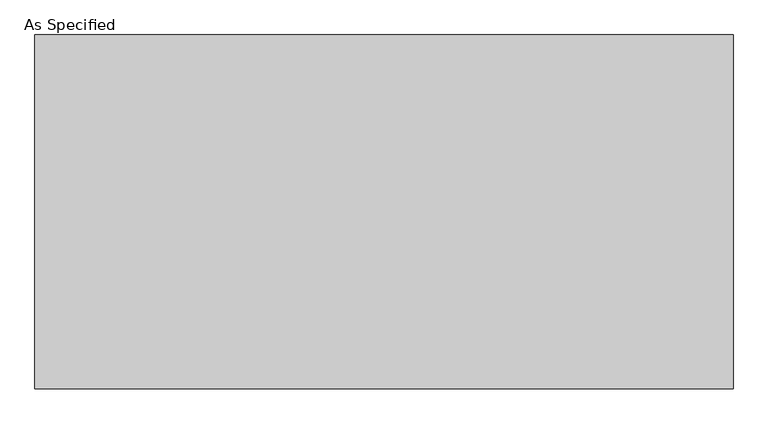
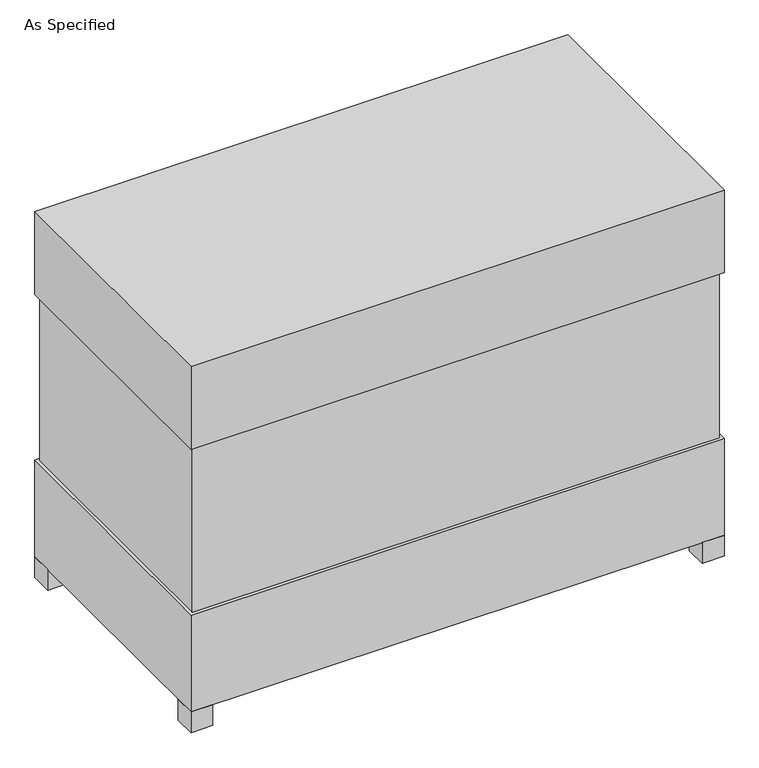
"""IFC4 building model written with IfcOpenShell, lengths in millimetres: proxy geometry, As Specified."""

from ifc_helpers import new_model, si_unit, frame, origin, origin_with_axes, place, context, project, spatial, polyline, outline, extrude, source, transform, mapped, element, save


def as_specified_85e18875(model_context):
    return source(origin(), model_context, "Body", "SweptSolid", [
        extrude(outline(polyline([(915.9875, 458.7875), (915.9875, -458.7875), (-915.9875, -458.7875), (-915.9875, 458.7875), (915.9875, 458.7875)])), frame((0.0, 0.0, 431.8), z_axis=(0.0, 0.0, 1.0), x_axis=(1.0, 0.0, 0.0)), (0.0, 0.0, 1.0), 609.6),
        extrude(outline(polyline([(927.1, 469.9), (927.1, -469.9), (-927.1, -469.9), (-927.1, 469.9), (927.1, 469.9)])), frame((0.0, 0.0, 1041.4), z_axis=(0.0, 0.0, 1.0), x_axis=(1.0, 0.0, 0.0)), (0.0, 0.0, 1.0), 304.8),
        extrude(outline(polyline([(812.8, 254.0), (812.8, 177.8), (736.6, 177.8), (736.6, 254.0), (812.8, 254.0)])), frame((0.0, 0.0, 50.8), z_axis=(0.0, 0.0, 1.0), x_axis=(1.0, 0.0, 0.0)), (0.0, 0.0, 1.0), 25.4),
        extrude(outline(polyline([(812.8, -177.8), (812.8, -254.0), (736.6, -254.0), (736.6, -177.8), (812.8, -177.8)])), frame((0.0, 0.0, 50.8), z_axis=(0.0, 0.0, 1.0), x_axis=(1.0, 0.0, 0.0)), (0.0, 0.0, 1.0), 25.4),
        extrude(outline(polyline([(-850.9, 469.9), (-850.9, 393.7), (-927.1, 393.7), (-927.1, 469.9), (-850.9, 469.9)])), origin_with_axes(), (0.0, 0.0, 1.0), 76.2),
        extrude(outline(polyline([(927.1, 469.9), (927.1, 393.7), (850.9, 393.7), (850.9, 469.9), (927.1, 469.9)])), origin_with_axes(), (0.0, 0.0, 1.0), 76.2),
        extrude(outline(polyline([(927.1, -393.7), (927.1, -469.9), (850.9, -469.9), (850.9, -393.7), (927.1, -393.7)])), origin_with_axes(), (0.0, 0.0, 1.0), 76.2),
        extrude(outline(polyline([(-850.9, -393.7), (-850.9, -469.9), (-927.1, -469.9), (-927.1, -393.7), (-850.9, -393.7)])), origin_with_axes(), (0.0, 0.0, 1.0), 76.2),
        extrude(outline(polyline([(927.1, 469.9), (927.1, -469.9), (-927.1, -469.9), (-927.1, 469.9), (927.1, 469.9)])), frame((0.0, 0.0, 76.2), z_axis=(0.0, 0.0, 1.0), x_axis=(1.0, 0.0, 0.0)), (0.0, 0.0, 1.0), 355.6),
    ])


if __name__ == "__main__":
    model = new_model("IFC4")
    model_context = context("Model", 3, world=origin())
    ifc_project = project(units=[si_unit("LENGTHUNIT", "METRE", prefix="MILLI")], contexts=[model_context])
    site = spatial("IfcSite", under=ifc_project)
    building = spatial("IfcBuilding", under=site)
    placement = place(None, origin())
    as_specified_shape = as_specified_85e18875(model_context)
    element("IfcBuildingElementProxy", 1, Name="As Specified", ObjectType="As Specified", at=placement, inside=building, context=model_context, shape_type="MappedRepresentation", body=[
        mapped(as_specified_shape, transform((0.0, 0.0, 0.0), x_axis=(1.0, 0.0, 0.0), y_axis=(0.0, 1.0, 0.0), z_axis=(0.0, 0.0, 1.0))),
    ])
    save(model, "model.ifc")
